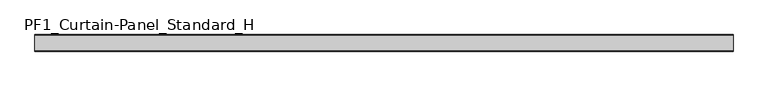
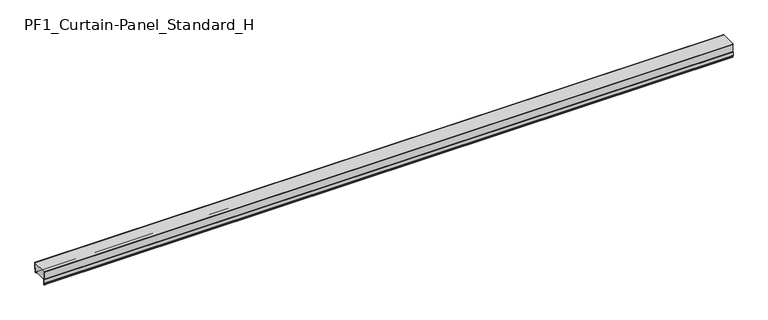
"""IFC4 building model written with IfcOpenShell, lengths in millimetres: plate geometry, PF1_Curtain-Panel_Standard_H."""

from ifc_helpers import new_model, si_unit, point, frame, frame_2d, origin, place, context, project, spatial, polyline, circle_curve, trimmed, segment, composite_curve, outline, extrude, source, transform, mapped, element, save


def pf1_curtain_panel_standard_h_18670860(model_context):
    return source(origin(), model_context, "Body", "SweptSolid", [
        extrude(outline(composite_curve([segment(polyline([(-15.878557, 0.0), (-20.0, 0.0), (-20.0, 0.8), (-15.878557, 0.8)]), True, "CONTINUOUS"), segment(trimmed(circle_curve(frame_2d((-15.878557, -2.0)), 2.8), [point((-15.878557, 0.8))], [point((-13.1503208, -1.370137))], False, "CARTESIAN"), True, "CONTINUOUS"), segment(polyline([(-13.1503208, -1.370137), (-11.728236, -7.529863)]), True, "CONTINUOUS"), segment(trimmed(circle_curve(frame_2d((-9.0, -6.9)), 2.8), [point((-11.728236, -7.529863))], [point((-6.2, -6.9))], True, "CARTESIAN"), True, "CONTINUOUS"), segment(polyline([(-6.2, -6.9), (-6.2, 8.6)]), True, "CONTINUOUS"), segment(trimmed(circle_curve(frame_2d((-3.4, 8.6)), 2.8), [point((-6.2, 8.6))], [point((-3.4, 11.4))], False, "CARTESIAN"), True, "CONTINUOUS"), segment(polyline([(-3.4, 11.4), (-2.0, 11.4)]), True, "CONTINUOUS"), segment(trimmed(circle_curve(frame_2d((-2.0, 12.6)), 1.2), [point((-2.0, 11.4))], [point((-0.8, 12.6))], True, "CARTESIAN"), True, "CONTINUOUS"), segment(polyline([(-0.8, 12.6), (-0.8, 50.0), (0.0, 50.0), (0.0, 12.6)]), True, "CONTINUOUS"), segment(trimmed(circle_curve(frame_2d((-2.0, 12.6)), 2.0), [point((0.0, 12.6))], [point((-2.0, 10.6))], False, "CARTESIAN"), True, "CONTINUOUS"), segment(polyline([(-2.0, 10.6), (-3.4, 10.6)]), True, "CONTINUOUS"), segment(trimmed(circle_curve(frame_2d((-3.4, 8.6)), 2.0), [point((-3.4, 10.6))], [point((-5.4, 8.6))], True, "CARTESIAN"), True, "CONTINUOUS"), segment(polyline([(-5.4, 8.6), (-5.4, -6.9)]), True, "CONTINUOUS"), segment(trimmed(circle_curve(frame_2d((-9.0, -6.9)), 3.6), [point((-5.4, -6.9))], [point((-12.5077322, -7.7098239))], False, "CARTESIAN"), True, "CONTINUOUS"), segment(polyline([(-12.5077322, -7.7098239), (-13.929817, -1.5500979)]), True, "CONTINUOUS"), segment(trimmed(circle_curve(frame_2d((-15.878557, -2.0)), 2.0), [point((-13.929817, -1.5500979))], [point((-15.878557, 0.0))], True, "CARTESIAN"), True, "CONTINUOUS")], self_intersect=False)), frame((-2100.0, 0.0, 0.0), z_axis=(1.0, 0.0, 0.0), x_axis=(0.0, 1.0, 0.0)), (0.0, 0.0, 1.0), 4200.0),
        extrude(outline(composite_curve([segment(polyline([(-90.0, 0.0), (-93.5, 0.0)]), True, "CONTINUOUS"), segment(trimmed(circle_curve(frame_2d((-93.5, -2.0)), 2.0), [point((-93.5, 0.0))], [point((-95.5, -2.0))], True, "CARTESIAN"), True, "CONTINUOUS"), segment(polyline([(-95.5, -2.0), (-95.5, -33.0)]), True, "CONTINUOUS"), segment(trimmed(circle_curve(frame_2d((-96.5, -33.0)), 1.0), [point((-95.5, -33.0))], [point((-97.5, -33.0))], False, "CARTESIAN"), True, "CONTINUOUS"), segment(polyline([(-97.5, -33.0), (-97.5, -26.9)]), True, "CONTINUOUS"), segment(trimmed(circle_curve(frame_2d((-98.4, -26.9)), 0.9), [point((-97.5, -26.9))], [point((-98.4, -26.0))], True, "CARTESIAN"), True, "CONTINUOUS"), segment(trimmed(circle_curve(frame_2d((-98.4, -24.4)), 1.6), [point((-98.4, -26.0))], [point((-100.0, -24.4))], False, "CARTESIAN"), True, "CONTINUOUS"), segment(polyline([(-100.0, -24.4), (-100.0, -0.9952559), (-98.5, 1.6028217), (-98.5, 46.4028193), (-100.0, 49.0008969), (-100.0, 50.0), (-99.2, 50.0), (-99.2, 49.2152562), (-97.7, 46.6171786), (-97.7, 1.3884624), (-99.2, -1.2096152), (-99.2, -24.4)]), True, "CONTINUOUS"), segment(trimmed(circle_curve(frame_2d((-98.4, -24.4)), 0.8), [point((-99.2, -24.4))], [point((-98.4, -25.2))], True, "CARTESIAN"), True, "CONTINUOUS"), segment(trimmed(circle_curve(frame_2d((-98.6133333, -26.9)), 1.7133333), [point((-98.4, -25.2))], [point((-96.9, -26.9))], False, "CARTESIAN"), True, "CONTINUOUS"), segment(polyline([(-96.9, -26.9), (-96.9, -32.8700312)]), True, "CONTINUOUS"), segment(trimmed(circle_curve(frame_2d((-96.6, -32.8700312)), 0.3), [point((-96.9, -32.8700312))], [point((-96.3, -32.8700312))], True, "CARTESIAN"), True, "CONTINUOUS"), segment(polyline([(-96.3, -32.8700312), (-96.3, -2.0)]), True, "CONTINUOUS"), segment(trimmed(circle_curve(frame_2d((-93.5, -2.0)), 2.8), [point((-96.3, -2.0))], [point((-93.5, 0.8))], False, "CARTESIAN"), True, "CONTINUOUS"), segment(polyline([(-93.5, 0.8), (-90.0, 0.8), (-90.0, 0.0)]), True, "CONTINUOUS")], self_intersect=False)), frame((-2100.0, 0.0, 0.0), z_axis=(1.0, 0.0, 0.0), x_axis=(0.0, 1.0, 0.0)), (0.0, 0.0, 1.0), 4200.0),
        extrude(outline(composite_curve([segment(polyline([(-90.0, 0.8), (-93.5, 0.8)]), True, "CONTINUOUS"), segment(trimmed(circle_curve(frame_2d((-93.5, -2.0)), 2.8), [point((-93.5, 0.8))], [point((-96.3, -2.0))], True, "CARTESIAN"), True, "CONTINUOUS"), segment(polyline([(-96.3, -2.0), (-96.3, -32.8700312)]), True, "CONTINUOUS"), segment(trimmed(circle_curve(frame_2d((-96.6, -32.8700312)), 0.3), [point((-96.3, -32.8700312))], [point((-96.9, -32.8700312))], False, "CARTESIAN"), True, "CONTINUOUS"), segment(polyline([(-96.9, -32.8700312), (-96.9, -26.9)]), True, "CONTINUOUS"), segment(trimmed(circle_curve(frame_2d((-98.6133333, -26.9)), 1.7133333), [point((-96.9, -26.9))], [point((-98.4, -25.2))], True, "CARTESIAN"), True, "CONTINUOUS"), segment(trimmed(circle_curve(frame_2d((-98.4, -24.4)), 0.8), [point((-98.4, -25.2))], [point((-99.2, -24.4))], False, "CARTESIAN"), True, "CONTINUOUS"), segment(polyline([(-99.2, -24.4), (-99.2, -1.2096152), (-97.7, 1.3884624), (-97.7, 46.6171786), (-99.2, 49.2152562), (-99.2, 50.0), (-0.8, 50.0), (-0.8, 12.6)]), True, "CONTINUOUS"), segment(trimmed(circle_curve(frame_2d((-2.0, 12.6)), 1.2), [point((-0.8, 12.6))], [point((-2.0, 11.4))], False, "CARTESIAN"), True, "CONTINUOUS"), segment(polyline([(-2.0, 11.4), (-3.4, 11.4)]), True, "CONTINUOUS"), segment(trimmed(circle_curve(frame_2d((-3.4, 8.6)), 2.8), [point((-3.4, 11.4))], [point((-6.2, 8.6))], True, "CARTESIAN"), True, "CONTINUOUS"), segment(polyline([(-6.2, 8.6), (-6.2, -6.9)]), True, "CONTINUOUS"), segment(trimmed(circle_curve(frame_2d((-9.0, -6.9)), 2.8), [point((-6.2, -6.9))], [point((-11.7282362, -7.529863))], False, "CARTESIAN"), True, "CONTINUOUS"), segment(polyline([(-11.7282362, -7.529863), (-13.1503208, -1.370137)]), True, "CONTINUOUS"), segment(trimmed(circle_curve(frame_2d((-15.878557, -2.0)), 2.8), [point((-13.1503208, -1.370137))], [point((-15.878557, 0.8))], True, "CARTESIAN"), True, "CONTINUOUS"), segment(polyline([(-15.878557, 0.8), (-20.0, 0.8), (-20.0, 0.0), (-90.0, 0.0), (-90.0, 0.8)]), True, "CONTINUOUS")], self_intersect=False)), frame((-2100.0, 0.0, 0.0), z_axis=(1.0, 0.0, 0.0), x_axis=(0.0, 1.0, 0.0)), (0.0, 0.0, 1.0), 4200.0),
    ])


if __name__ == "__main__":
    model = new_model("IFC4")
    model_context = context("Model", 3, world=origin())
    ifc_project = project(units=[si_unit("LENGTHUNIT", "METRE", prefix="MILLI")], contexts=[model_context])
    site = spatial("IfcSite", under=ifc_project)
    building = spatial("IfcBuilding", under=site)
    placement = place(None, origin())
    pf1_curtain_panel_standard_h_shape = pf1_curtain_panel_standard_h_18670860(model_context)
    element("IfcPlate", 1, ObjectType="PF1_Curtain-Panel_Standard_H", at=placement, inside=building, context=model_context, shape_type="MappedRepresentation", body=[
        mapped(pf1_curtain_panel_standard_h_shape, transform((0.0, 0.0, 0.0), x_axis=(1.0, 0.0, 0.0), y_axis=(0.0, 1.0, 0.0), z_axis=(0.0, 0.0, 1.0))),
    ])
    save(model, "model.ifc")
